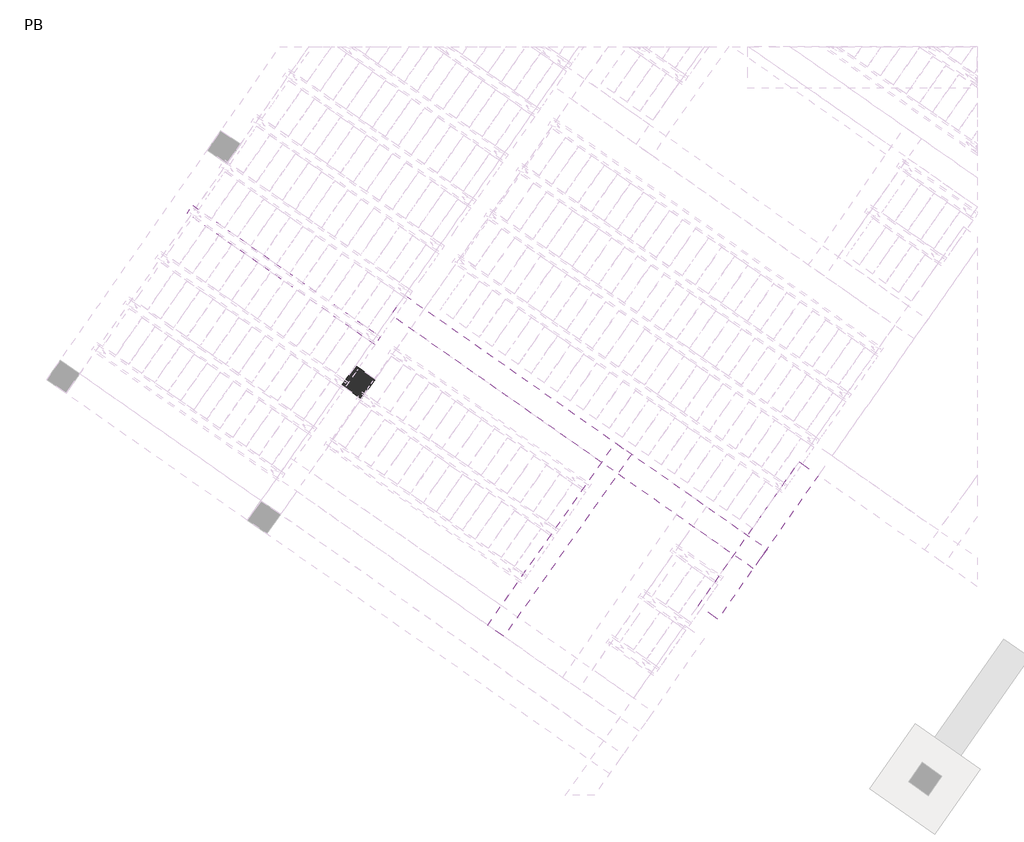
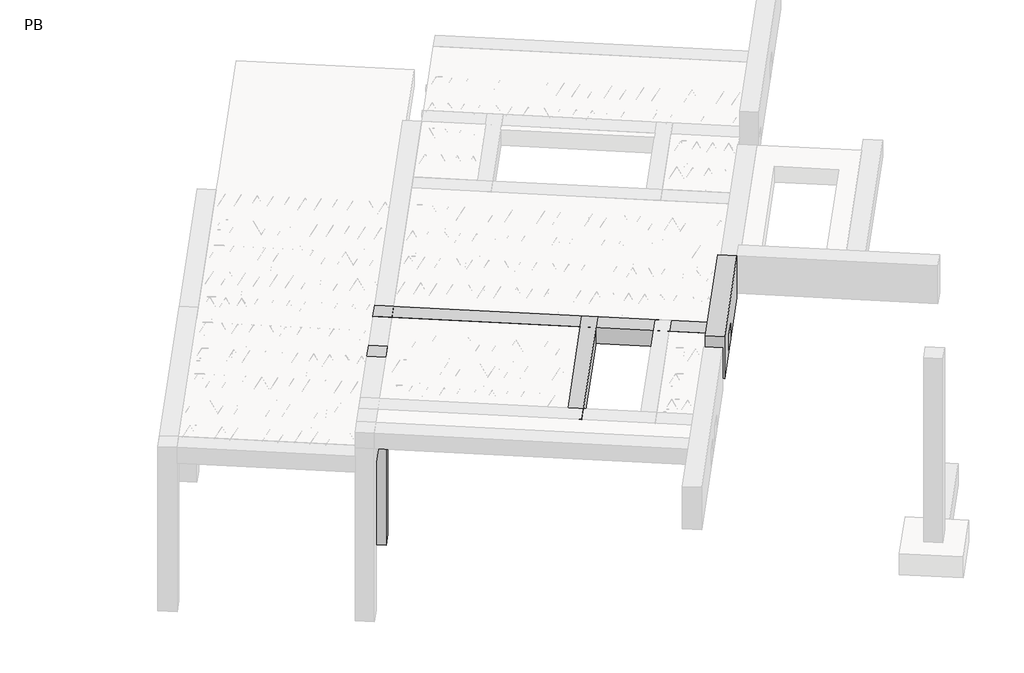
# One storey, part 18 of 56: 5 beams, 1 column.
"""IFC4 building model written with IfcOpenShell, lengths in millimetres."""

import ifcopenshell
import ifcopenshell.guid

model = None  # the IFC model being written
_history = None  # IfcOwnerHistory: only IFC2X3 demands one
_inside = {}  # id of a spatial element -> (the spatial element, [elements in it])
_under = {}  # id of a project, library or spatial element -> (it, [spatial elements below it])
_declared = {}  # id of a project -> (the project, [libraries it declares])
_typed = {}  # id of a type object -> (the type object, [elements of that type])
_made_of = {}  # id of a material, layer set ... -> (it, [elements and type objects made of it])


def new_model(schema):
    """Start an empty IFC model of exactly this schema.

    Asked for "IFC4X3", IfcOpenShell would pick the latest addendum, in which some entities
    have other attributes; the version numbers below select the first issue.
    IFC2X3 requires an IfcOwnerHistory on every rooted entity: one is made here for all.
    """
    global model, _history
    if schema == "IFC4X3":
        model = ifcopenshell.file(schema_version=(4, 3, 0, 0))
    else:
        model = ifcopenshell.file(schema=schema)
    _inside.clear()
    _under.clear()
    _declared.clear()
    _typed.clear()
    _made_of.clear()
    _history = None
    if model.schema == "IFC2X3":
        org = make("IfcOrganization", Name="unknown")
        user = make(
            "IfcPersonAndOrganization",
            ThePerson=make("IfcPerson", FamilyName="unknown"),
            TheOrganization=org,
        )
        app = make(
            "IfcApplication",
            ApplicationDeveloper=org,
            Version="unknown",
            ApplicationFullName="unknown",
            ApplicationIdentifier="unknown",
        )
        _history = make(
            "IfcOwnerHistory",
            OwningUser=user,
            OwningApplication=app,
            ChangeAction="ADDED",
            CreationDate=0,
        )
    return model


def make(cls, **values):
    """One entity of the class cls with the attributes given. An attribute that is None is left unset."""
    return model.create_entity(
        cls, **{name: value for name, value in values.items() if value is not None}
    )


def rooted(cls, **values):
    """An entity with a GlobalId (a new one), such as an element, a storey or a relation."""
    return make(cls, GlobalId=ifcopenshell.guid.new(), OwnerHistory=_history, **values)


def si_unit(unit_type, name, prefix=None):
    """IfcSIUnit, for example si_unit("LENGTHUNIT", "METRE", prefix="MILLI")."""
    return make("IfcSIUnit", UnitType=unit_type, Prefix=prefix, Name=name)


def assignment(units):
    """IfcUnitAssignment: the units of a project."""
    return None if units is None else make("IfcUnitAssignment", Units=units)


def point(xyz):
    """IfcCartesianPoint."""
    return None if xyz is None else make("IfcCartesianPoint", Coordinates=xyz)


def direction(xyz):
    """IfcDirection."""
    return None if xyz is None else make("IfcDirection", DirectionRatios=xyz)


def frame(location, z_axis=None, x_axis=None):
    """IfcAxis2Placement3D, a coordinate frame: its origin and axes. An axis left out is left unset."""
    return make(
        "IfcAxis2Placement3D",
        Location=point(location),
        Axis=direction(z_axis),
        RefDirection=direction(x_axis),
    )


def frame_2d(location, x_axis=None):
    """IfcAxis2Placement2D, a coordinate frame in the plane: its origin and x axis."""
    return make(
        "IfcAxis2Placement2D", Location=point(location), RefDirection=direction(x_axis)
    )


def origin():
    """The frame at (0, 0, 0) with its axes left unset."""
    return frame((0.0, 0.0, 0.0))


def origin_2d():
    """The frame at (0, 0) in the plane with its x axis left unset."""
    return frame_2d((0.0, 0.0))


def place(relative_to, where):
    """IfcLocalPlacement: puts the frame where relative to a parent placement (None: the world)."""
    return make(
        "IfcLocalPlacement", PlacementRelTo=relative_to, RelativePlacement=where
    )


def context(
    kind, dimensions, precision=None, world=None, true_north=None, identifier=None
):
    """IfcGeometricRepresentationContext, for example the 3D "Model" context."""
    return make(
        "IfcGeometricRepresentationContext",
        ContextIdentifier=identifier,
        ContextType=kind,
        CoordinateSpaceDimension=dimensions,
        Precision=precision,
        WorldCoordinateSystem=world,
        TrueNorth=true_north,
    )


def project(units=None, contexts=None):
    """IfcProject with its units and contexts."""
    return rooted(
        "IfcProject",
        Name="project",
        RepresentationContexts=contexts,
        UnitsInContext=assignment(units),
    )


def spatial(cls, under=None, at=None, **own):
    """A site, building, storey or space (cls), placed at a placement, below another one or the project."""
    s = rooted(cls, ObjectPlacement=at, **own)
    if under is not None:
        _under.setdefault(under.id(), (under, []))[1].append(s)
    return s


def polyline(points):
    """IfcPolyline through the points."""
    return make("IfcPolyline", Points=[point(p) for p in points])


def circle_curve(where, radius):
    """IfcCircle in the frame where."""
    return make("IfcCircle", Position=where, Radius=radius)


def trimmed(basis, trim1, trim2, sense, master):
    """IfcTrimmedCurve: the piece of a basis curve between two trims."""
    return make(
        "IfcTrimmedCurve",
        BasisCurve=basis,
        Trim1=trim1,
        Trim2=trim2,
        SenseAgreement=sense,
        MasterRepresentation=master,
    )


def segment(curve, same_sense, transition):
    """IfcCompositeCurveSegment."""
    return make(
        "IfcCompositeCurveSegment",
        Transition=transition,
        SameSense=same_sense,
        ParentCurve=curve,
    )


def composite_curve(segments, self_intersect=None):
    """IfcCompositeCurve: segments joined end to end."""
    return make("IfcCompositeCurve", Segments=segments, SelfIntersect=self_intersect)


def outline(outer, holes=None, kind="AREA"):
    """IfcArbitraryClosedProfileDef: a profile drawn as a closed curve; with holes, ...WithVoids."""
    if holes is None:
        return make("IfcArbitraryClosedProfileDef", ProfileType=kind, OuterCurve=outer)
    return make(
        "IfcArbitraryProfileDefWithVoids",
        ProfileType=kind,
        OuterCurve=outer,
        InnerCurves=holes,
    )


def extrude(swept, where, along, depth):
    """IfcExtrudedAreaSolid: the profile swept, set in the frame where, extruded along a direction by depth."""
    return make(
        "IfcExtrudedAreaSolid",
        SweptArea=swept,
        Position=where,
        ExtrudedDirection=direction(along),
        Depth=depth,
    )


def shape(context_of_items, identifier, shape_type, items):
    """IfcShapeRepresentation: the items that make up one representation, for example the "Body"."""
    return make(
        "IfcShapeRepresentation",
        ContextOfItems=context_of_items,
        RepresentationIdentifier=identifier,
        RepresentationType=shape_type,
        Items=items,
    )


def made_of(thing, what):
    """Note that an element or type object is made of a material, layer set ...; save() writes the relation."""
    if what is not None:
        _made_of.setdefault(what.id(), (what, []))[1].append(thing)
    return thing


def element(
    cls,
    number,
    at=None,
    inside=None,
    cuts=None,
    type_object=None,
    material=None,
    context=None,
    identifier="Body",
    shape_type=None,
    held_by="IfcProductDefinitionShape",
    body=None,
    shapes=None,
    **own,
):
    """One element of the class cls, such as IfcWall. Its Tag is "e" and its number.

    at: its placement. inside: the storey or other place that contains it. cuts: it is an
    opening in that element (IfcRelVoidsElement). A single representation is given by context,
    identifier, shape_type and body (its items); several are given by shapes. held_by: the class
    of the entity that holds the representations. save() writes the other relations.
    """
    e = rooted(cls, Tag="e%d" % number, ObjectPlacement=at, **own)
    if body is not None:
        shapes = [shape(context, identifier, shape_type, body)]
    if shapes is not None:
        e.Representation = make(held_by, Representations=shapes)
    if inside is not None:
        _inside.setdefault(inside.id(), (inside, []))[1].append(e)
    if cuts is not None:
        rooted(
            "IfcRelVoidsElement", RelatingBuildingElement=cuts, RelatedOpeningElement=e
        )
    if type_object is not None:
        _typed.setdefault(type_object.id(), (type_object, []))[1].append(e)
    return made_of(e, material)


def aggregate(whole, parts):
    """IfcRelAggregates: a whole, such as a stair, and the parts it consists of."""
    return rooted("IfcRelAggregates", RelatingObject=whole, RelatedObjects=parts)


def save(model, path):
    """Write the relations noted so far, then the file.

    IfcRelAggregates (storeys below a building ...), IfcRelContainedInSpatialStructure (elements
    in a storey), IfcRelDefinesByType, IfcRelAssociatesMaterial and IfcRelDeclares: one each for
    every whole, place, type object, material and project.
    """
    for whole, parts in _under.values():
        aggregate(whole, parts)
    for where, things in _inside.values():
        rooted(
            "IfcRelContainedInSpatialStructure",
            RelatedElements=things,
            RelatingStructure=where,
        )
    for kind, things in _typed.values():
        rooted("IfcRelDefinesByType", RelatedObjects=things, RelatingType=kind)
    for what, things in _made_of.values():
        rooted("IfcRelAssociatesMaterial", RelatedObjects=things, RelatingMaterial=what)
    for by, libraries in _declared.values():
        rooted("IfcRelDeclares", RelatingContext=by, RelatedDefinitions=libraries)
    model.write(path)


model = new_model("IFC4")

# Units and contexts
model_context = context("Model", 3, world=origin())
ifc_project = project(units=[si_unit("LENGTHUNIT", "METRE", prefix="MILLI")], contexts=[model_context])

# Site, building, storey
site = spatial("IfcSite", under=ifc_project)
building = spatial("IfcBuilding", under=site)
storey = spatial("IfcBuildingStorey", under=building, Name="PB", Elevation=95940.0)

# Beams
placement = place(None, origin())
element("IfcBeam", 1, at=placement, inside=storey, context=model_context, shape_type="SweptSolid", body=[
    extrude(outline(polyline([(-10.0803251, 4389.9835986), (58.7488472, 4488.2818439), (2421.7350828, 2833.7010689), (2352.9059104, 2735.4028236), (-10.0803251, 4389.9835986)])), frame((0.0, 0.0, 98760.0), z_axis=(0.0, 0.0, 1.0), x_axis=(1.0, 0.0, 0.0)), (0.0, 0.0, 1.0), 50.0),
    extrude(outline(composite_curve([segment(trimmed(circle_curve(origin_2d(), 2.5), [point((-2.5, 0.0))], [point((2.5, 0.0))], False, "CARTESIAN"), True, "CONTINUOUS"), segment(trimmed(circle_curve(origin_2d(), 2.5), [point((2.5, 0.0))], [point((-2.5, 0.0))], False, "CARTESIAN"), True, "CONTINUOUS")], self_intersect=False)), frame((2347.0120958, 2768.8283072, 98785.0), z_axis=(-0.8191520442696126, 0.5735764363787226, 0.0), x_axis=(0.5735764363787226, 0.8191520442696126, 0.0)), (0.0, 0.0, 1.0), 2836.67355),
    extrude(outline(composite_curve([segment(trimmed(circle_curve(origin_2d(), 2.5), [point((-2.5, 0.0))], [point((2.5, 0.0))], False, "CARTESIAN"), True, "CONTINUOUS"), segment(trimmed(circle_curve(origin_2d(), 2.5), [point((2.5, 0.0))], [point((-2.5, 0.0))], False, "CARTESIAN"), True, "CONTINUOUS")], self_intersect=False)), frame((2270.7250362, 2866.1929666, 99010.0), z_axis=(-0.8191520442696126, 0.5735764363787226, 0.0), x_axis=(0.5735764363787226, 0.8191520442696126, 0.0)), (0.0, 0.0, 1.0), 2600.0),
    extrude(outline(composite_curve([segment(trimmed(circle_curve(origin_2d(), 2.5), [point((-2.5, 0.0))], [point((2.5, 1e-07))], False, "CARTESIAN"), True, "CONTINUOUS"), segment(trimmed(circle_curve(origin_2d(), 2.5), [point((2.5, 1e-07))], [point((-2.5, 0.0))], False, "CARTESIAN"), True, "CONTINUOUS")], self_intersect=False)), frame((2311.5126878, 2793.6852602, 98785.0), z_axis=(-0.3145304735701046, 0.38933448886848654, 0.8657304643902053), x_axis=(0.7778747638402499, 0.6284193279813057, 0.0)), (0.0, 0.0, 1.0), 259.8961331),
    extrude(outline(composite_curve([segment(trimmed(circle_curve(origin_2d(), 2.5), [point((2.5, 0.0))], [point((-2.5000001, 0.0))], False, "CARTESIAN"), True, "CONTINUOUS"), segment(trimmed(circle_curve(origin_2d(), 2.5), [point((-2.5000001, 0.0))], [point((2.5, 0.0))], False, "CARTESIAN"), True, "CONTINUOUS")], self_intersect=False)), frame((2106.7246767, 2937.0793693, 98785.0), z_axis=(0.47343050384693375, -0.16240172737369005, 0.8657304643902051), x_axis=(-0.3244721671091268, -0.9458952440791246, 0.0)), (0.0, 0.0, 1.0), 259.8961331),
    extrude(outline(composite_curve([segment(trimmed(circle_curve(origin_2d(), 2.5), [point((-2.5, 0.0))], [point((2.5000001, 0.0))], False, "CARTESIAN"), True, "CONTINUOUS"), segment(trimmed(circle_curve(origin_2d(), 2.5), [point((2.5000001, 0.0))], [point((-2.5, 0.0))], False, "CARTESIAN"), True, "CONTINUOUS")], self_intersect=False)), frame((2106.7246767, 2937.0793693, 98785.0), z_axis=(-0.3145304735701046, 0.38933448886848654, 0.8657304643902053), x_axis=(0.7778747638402499, 0.6284193279813057, 0.0)), (0.0, 0.0, 1.0), 259.8961331),
    extrude(outline(composite_curve([segment(trimmed(circle_curve(origin_2d(), 2.5), [point((2.5, 0.0))], [point((-2.5000001, 0.0))], False, "CARTESIAN"), True, "CONTINUOUS"), segment(trimmed(circle_curve(origin_2d(), 2.5), [point((-2.5000001, 0.0))], [point((2.5, 0.0))], False, "CARTESIAN"), True, "CONTINUOUS")], self_intersect=False)), frame((1901.9366657, 3080.4734784, 98785.0), z_axis=(0.47343050384693375, -0.16240172737369005, 0.8657304643902051), x_axis=(-0.3244721671091268, -0.9458952440791246, 0.0)), (0.0, 0.0, 1.0), 259.8961331),
    extrude(outline(composite_curve([segment(trimmed(circle_curve(origin_2d(), 2.5), [point((-2.5, 0.0))], [point((2.5, 1e-07))], False, "CARTESIAN"), True, "CONTINUOUS"), segment(trimmed(circle_curve(origin_2d(), 2.5), [point((2.5, 1e-07))], [point((-2.5, 0.0))], False, "CARTESIAN"), True, "CONTINUOUS")], self_intersect=False)), frame((1901.9366657, 3080.4734784, 98785.0), z_axis=(-0.3145304735701046, 0.38933448886848654, 0.8657304643902053), x_axis=(0.7778747638402499, 0.6284193279813057, 0.0)), (0.0, 0.0, 1.0), 259.8961331),
    extrude(outline(composite_curve([segment(trimmed(circle_curve(origin_2d(), 2.5), [point((2.5, 0.0))], [point((-2.5, 0.0))], False, "CARTESIAN"), True, "CONTINUOUS"), segment(trimmed(circle_curve(origin_2d(), 2.5), [point((-2.5, 0.0))], [point((2.5, 0.0))], False, "CARTESIAN"), True, "CONTINUOUS")], self_intersect=False)), frame((1697.1486546, 3223.8675875, 98785.0), z_axis=(0.47343050384693375, -0.16240172737369005, 0.8657304643902051), x_axis=(-0.3244721671091268, -0.9458952440791246, 0.0)), (0.0, 0.0, 1.0), 259.8961331),
    extrude(outline(composite_curve([segment(trimmed(circle_curve(origin_2d(), 2.5), [point((-2.5, 0.0))], [point((2.5, 1e-07))], False, "CARTESIAN"), True, "CONTINUOUS"), segment(trimmed(circle_curve(origin_2d(), 2.5), [point((2.5, 1e-07))], [point((-2.5, 0.0))], False, "CARTESIAN"), True, "CONTINUOUS")], self_intersect=False)), frame((1697.1486546, 3223.8675875, 98785.0), z_axis=(-0.3145304735701046, 0.38933448886848654, 0.8657304643902053), x_axis=(0.7778747638402499, 0.6284193279813057, 0.0)), (0.0, 0.0, 1.0), 259.8961331),
    extrude(outline(composite_curve([segment(trimmed(circle_curve(origin_2d(), 2.5), [point((2.5, 0.0))], [point((-2.5, 1e-07))], False, "CARTESIAN"), True, "CONTINUOUS"), segment(trimmed(circle_curve(origin_2d(), 2.5), [point((-2.5, 1e-07))], [point((2.5, 0.0))], False, "CARTESIAN"), True, "CONTINUOUS")], self_intersect=False)), frame((1492.3606435, 3367.2616966, 98785.0), z_axis=(0.47343050384693375, -0.16240172737369005, 0.8657304643902051), x_axis=(-0.3244721671091268, -0.9458952440791246, 0.0)), (0.0, 0.0, 1.0), 259.8961331),
    extrude(outline(composite_curve([segment(trimmed(circle_curve(origin_2d(), 2.5), [point((-2.5, 0.0))], [point((2.5, 0.0))], False, "CARTESIAN"), True, "CONTINUOUS"), segment(trimmed(circle_curve(origin_2d(), 2.5), [point((2.5, 0.0))], [point((-2.5, 0.0))], False, "CARTESIAN"), True, "CONTINUOUS")], self_intersect=False)), frame((1492.3606437, 3367.2616965, 98785.0), z_axis=(-0.3145304735701046, 0.38933448886848654, 0.8657304643902053), x_axis=(0.7778747638402499, 0.6284193279813057, 0.0)), (0.0, 0.0, 1.0), 259.8961331),
    extrude(outline(composite_curve([segment(trimmed(circle_curve(origin_2d(), 2.5), [point((2.5, 0.0))], [point((-2.5, 1e-07))], False, "CARTESIAN"), True, "CONTINUOUS"), segment(trimmed(circle_curve(origin_2d(), 2.5), [point((-2.5, 1e-07))], [point((2.5, 0.0))], False, "CARTESIAN"), True, "CONTINUOUS")], self_intersect=False)), frame((1287.5726326, 3510.6558056, 98785.0), z_axis=(0.47343050384693375, -0.16240172737369005, 0.8657304643902051), x_axis=(-0.3244721671091268, -0.9458952440791246, 0.0)), (0.0, 0.0, 1.0), 259.8961331),
    extrude(outline(composite_curve([segment(trimmed(circle_curve(origin_2d(), 2.5), [point((-2.5, 0.0))], [point((2.5, 0.0))], False, "CARTESIAN"), True, "CONTINUOUS"), segment(trimmed(circle_curve(origin_2d(), 2.5), [point((2.5, 0.0))], [point((-2.5, 0.0))], False, "CARTESIAN"), True, "CONTINUOUS")], self_intersect=False)), frame((1287.5726326, 3510.6558056, 98785.0), z_axis=(-0.3145304735701046, 0.38933448886848654, 0.8657304643902053), x_axis=(0.7778747638402499, 0.6284193279813057, 0.0)), (0.0, 0.0, 1.0), 259.8961331),
    extrude(outline(composite_curve([segment(trimmed(circle_curve(origin_2d(), 2.5), [point((2.5, 0.0))], [point((-2.5, 0.0))], False, "CARTESIAN"), True, "CONTINUOUS"), segment(trimmed(circle_curve(origin_2d(), 2.5), [point((-2.5, 0.0))], [point((2.5, 0.0))], False, "CARTESIAN"), True, "CONTINUOUS")], self_intersect=False)), frame((1082.7846216, 3654.0499147, 98785.0), z_axis=(0.47343050384693375, -0.16240172737369005, 0.8657304643902051), x_axis=(-0.3244721671091268, -0.9458952440791246, 0.0)), (0.0, 0.0, 1.0), 259.8961331),
    extrude(outline(composite_curve([segment(trimmed(circle_curve(origin_2d(), 2.5), [point((-2.5, 0.0))], [point((2.5, 0.0))], False, "CARTESIAN"), True, "CONTINUOUS"), segment(trimmed(circle_curve(origin_2d(), 2.5), [point((2.5, 0.0))], [point((-2.5, 0.0))], False, "CARTESIAN"), True, "CONTINUOUS")], self_intersect=False)), frame((1082.7846216, 3654.0499147, 98785.0), z_axis=(-0.3145304735701046, 0.38933448886848654, 0.8657304643902053), x_axis=(0.7778747638402499, 0.6284193279813057, 0.0)), (0.0, 0.0, 1.0), 259.8961331),
    extrude(outline(composite_curve([segment(trimmed(circle_curve(origin_2d(), 2.5), [point((2.5, 0.0))], [point((-2.5, 0.0))], False, "CARTESIAN"), True, "CONTINUOUS"), segment(trimmed(circle_curve(origin_2d(), 2.5), [point((-2.5, 0.0))], [point((2.5, 0.0))], False, "CARTESIAN"), True, "CONTINUOUS")], self_intersect=False)), frame((877.9966105, 3797.4440238, 98785.0), z_axis=(0.47343050384693375, -0.16240172737369005, 0.8657304643902051), x_axis=(-0.3244721671091268, -0.9458952440791246, 0.0)), (0.0, 0.0, 1.0), 259.8961331),
    extrude(outline(composite_curve([segment(trimmed(circle_curve(origin_2d(), 2.5), [point((-2.5, 0.0))], [point((2.5, 0.0))], False, "CARTESIAN"), True, "CONTINUOUS"), segment(trimmed(circle_curve(origin_2d(), 2.5), [point((2.5, 0.0))], [point((-2.5, 0.0))], False, "CARTESIAN"), True, "CONTINUOUS")], self_intersect=False)), frame((877.9966105, 3797.4440238, 98785.0), z_axis=(-0.3145304735701046, 0.38933448886848654, 0.8657304643902053), x_axis=(0.7778747638402499, 0.6284193279813057, 0.0)), (0.0, 0.0, 1.0), 259.8961331),
    extrude(outline(composite_curve([segment(trimmed(circle_curve(origin_2d(), 2.5), [point((2.5, 0.0))], [point((-2.5, 1e-07))], False, "CARTESIAN"), True, "CONTINUOUS"), segment(trimmed(circle_curve(origin_2d(), 2.5), [point((-2.5, 1e-07))], [point((2.5, 0.0))], False, "CARTESIAN"), True, "CONTINUOUS")], self_intersect=False)), frame((673.2085994, 3940.8381329, 98785.0), z_axis=(0.47343050384693375, -0.16240172737369005, 0.8657304643902051), x_axis=(-0.3244721671091268, -0.9458952440791246, 0.0)), (0.0, 0.0, 1.0), 259.8961331),
    extrude(outline(composite_curve([segment(trimmed(circle_curve(origin_2d(), 2.5), [point((-2.5, 0.0))], [point((2.5, 0.0))], False, "CARTESIAN"), True, "CONTINUOUS"), segment(trimmed(circle_curve(origin_2d(), 2.5), [point((2.5, 0.0))], [point((-2.5, 0.0))], False, "CARTESIAN"), True, "CONTINUOUS")], self_intersect=False)), frame((673.2085994, 3940.8381329, 98785.0), z_axis=(-0.3145304735701046, 0.38933448886848654, 0.8657304643902053), x_axis=(0.7778747638402499, 0.6284193279813057, 0.0)), (0.0, 0.0, 1.0), 259.8961331),
    extrude(outline(composite_curve([segment(trimmed(circle_curve(origin_2d(), 2.5), [point((2.5, 0.0))], [point((-2.5, 0.0))], False, "CARTESIAN"), True, "CONTINUOUS"), segment(trimmed(circle_curve(origin_2d(), 2.5), [point((-2.5, 0.0))], [point((2.5, 0.0))], False, "CARTESIAN"), True, "CONTINUOUS")], self_intersect=False)), frame((468.4205884, 4084.232242, 98785.0), z_axis=(0.47343050384693375, -0.16240172737369005, 0.8657304643902051), x_axis=(-0.3244721671091268, -0.9458952440791246, 0.0)), (0.0, 0.0, 1.0), 259.8961331),
    extrude(outline(composite_curve([segment(trimmed(circle_curve(origin_2d(), 2.5), [point((-2.5, 0.0))], [point((2.5, 0.0))], False, "CARTESIAN"), True, "CONTINUOUS"), segment(trimmed(circle_curve(origin_2d(), 2.5), [point((2.5, 0.0))], [point((-2.5, 0.0))], False, "CARTESIAN"), True, "CONTINUOUS")], self_intersect=False)), frame((468.4205884, 4084.232242, 98785.0), z_axis=(-0.3145304735701046, 0.38933448886848654, 0.8657304643902053), x_axis=(0.7778747638402499, 0.6284193279813057, 0.0)), (0.0, 0.0, 1.0), 259.8961331),
    extrude(outline(composite_curve([segment(trimmed(circle_curve(origin_2d(), 2.5), [point((2.5, 0.0))], [point((-2.5, 0.0))], False, "CARTESIAN"), True, "CONTINUOUS"), segment(trimmed(circle_curve(origin_2d(), 2.5), [point((-2.5, 0.0))], [point((2.5, 0.0))], False, "CARTESIAN"), True, "CONTINUOUS")], self_intersect=False)), frame((263.6325773, 4227.6263511, 98785.0), z_axis=(0.47343050384693375, -0.16240172737369005, 0.8657304643902051), x_axis=(-0.3244721671091268, -0.9458952440791246, 0.0)), (0.0, 0.0, 1.0), 259.8961331),
    extrude(outline(composite_curve([segment(trimmed(circle_curve(origin_2d(), 2.5), [point((-2.5, 0.0))], [point((2.5, 0.0))], False, "CARTESIAN"), True, "CONTINUOUS"), segment(trimmed(circle_curve(origin_2d(), 2.5), [point((2.5, 0.0))], [point((-2.5, 0.0))], False, "CARTESIAN"), True, "CONTINUOUS")], self_intersect=False)), frame((263.6325773, 4227.6263511, 98785.0), z_axis=(-0.3145304735701046, 0.38933448886848654, 0.8657304643902053), x_axis=(0.7778747638402499, 0.6284193279813057, 0.0)), (0.0, 0.0, 1.0), 259.8961331),
    extrude(outline(composite_curve([segment(trimmed(circle_curve(origin_2d(), 2.5), [point((2.5, 0.0))], [point((-2.5, 1e-07))], False, "CARTESIAN"), True, "CONTINUOUS"), segment(trimmed(circle_curve(origin_2d(), 2.5), [point((-2.5, 1e-07))], [point((2.5, 0.0))], False, "CARTESIAN"), True, "CONTINUOUS")], self_intersect=False)), frame((58.8445662, 4371.0204602, 98785.0), z_axis=(0.47343050384693375, -0.16240172737369005, 0.8657304643902051), x_axis=(-0.3244721671091268, -0.9458952440791246, 0.0)), (0.0, 0.0, 1.0), 259.8961331),
    extrude(outline(composite_curve([segment(trimmed(circle_curve(origin_2d(), 2.5), [point((-2.5000001, 0.0))], [point((2.5, 0.0))], False, "CARTESIAN"), True, "CONTINUOUS"), segment(trimmed(circle_curve(origin_2d(), 2.5), [point((2.5, 0.0))], [point((-2.5000001, 0.0))], False, "CARTESIAN"), True, "CONTINUOUS")], self_intersect=False)), frame((2388.3095992, 2827.8072544, 98785.0), z_axis=(-0.8191520442696126, 0.5735764363787226, 0.0), x_axis=(0.5735764363787226, 0.8191520442696126, 0.0)), (0.0, 0.0, 1.0), 2836.67355),
    extrude(outline(composite_curve([segment(trimmed(circle_curve(origin_2d(), 2.5), [point((-2.5, 0.0))], [point((2.5, -1e-07))], False, "CARTESIAN"), True, "CONTINUOUS"), segment(trimmed(circle_curve(origin_2d(), 2.5), [point((2.5, -1e-07))], [point((-2.5, 0.0))], False, "CARTESIAN"), True, "CONTINUOUS")], self_intersect=False)), frame((2352.8101912, 2852.6642074, 98785.0), z_axis=(-0.47343050384693375, 0.16240172737369005, 0.8657304643902051), x_axis=(0.3244721671091268, 0.9458952440791246, 0.0)), (0.0, 0.0, 1.0), 259.8961331),
    extrude(outline(composite_curve([segment(trimmed(circle_curve(origin_2d(), 2.5), [point((2.5, 0.0))], [point((-2.5, -1e-07))], False, "CARTESIAN"), True, "CONTINUOUS"), segment(trimmed(circle_curve(origin_2d(), 2.5), [point((-2.5, -1e-07))], [point((2.5, 0.0))], False, "CARTESIAN"), True, "CONTINUOUS")], self_intersect=False)), frame((2148.0221802, 2996.0583165, 98785.0), z_axis=(0.3145304735701046, -0.38933448886848654, 0.8657304643902053), x_axis=(-0.7778747638402499, -0.6284193279813057, 0.0)), (0.0, 0.0, 1.0), 259.8961331),
    extrude(outline(composite_curve([segment(trimmed(circle_curve(origin_2d(), 2.5), [point((-2.5, 1e-07))], [point((2.5, 0.0))], False, "CARTESIAN"), True, "CONTINUOUS"), segment(trimmed(circle_curve(origin_2d(), 2.5), [point((2.5, 0.0))], [point((-2.5, 1e-07))], False, "CARTESIAN"), True, "CONTINUOUS")], self_intersect=False)), frame((2148.0221802, 2996.0583165, 98785.0), z_axis=(-0.47343050384693375, 0.16240172737369005, 0.8657304643902051), x_axis=(0.3244721671091268, 0.9458952440791246, 0.0)), (0.0, 0.0, 1.0), 259.8961331),
    extrude(outline(composite_curve([segment(trimmed(circle_curve(origin_2d(), 2.5), [point((2.5, 0.0))], [point((-2.5, 0.0))], False, "CARTESIAN"), True, "CONTINUOUS"), segment(trimmed(circle_curve(origin_2d(), 2.5), [point((-2.5, 0.0))], [point((2.5, 0.0))], False, "CARTESIAN"), True, "CONTINUOUS")], self_intersect=False)), frame((1943.2341691, 3139.4524256, 98785.0), z_axis=(0.3145304735701046, -0.38933448886848654, 0.8657304643902053), x_axis=(-0.7778747638402499, -0.6284193279813057, 0.0)), (0.0, 0.0, 1.0), 259.8961331),
    extrude(outline(composite_curve([segment(trimmed(circle_curve(origin_2d(), 2.5), [point((-2.5, 0.0))], [point((2.5, 0.0))], False, "CARTESIAN"), True, "CONTINUOUS"), segment(trimmed(circle_curve(origin_2d(), 2.5), [point((2.5, 0.0))], [point((-2.5, 0.0))], False, "CARTESIAN"), True, "CONTINUOUS")], self_intersect=False)), frame((1943.2341691, 3139.4524256, 98785.0), z_axis=(-0.47343050384693375, 0.16240172737369005, 0.8657304643902051), x_axis=(0.3244721671091268, 0.9458952440791246, 0.0)), (0.0, 0.0, 1.0), 259.8961331),
    extrude(outline(composite_curve([segment(trimmed(circle_curve(origin_2d(), 2.5), [point((2.5, 0.0))], [point((-2.5, 0.0))], False, "CARTESIAN"), True, "CONTINUOUS"), segment(trimmed(circle_curve(origin_2d(), 2.5), [point((-2.5, 0.0))], [point((2.5, 0.0))], False, "CARTESIAN"), True, "CONTINUOUS")], self_intersect=False)), frame((1738.446158, 3282.8465347, 98785.0), z_axis=(0.3145304735701046, -0.38933448886848654, 0.8657304643902053), x_axis=(-0.7778747638402499, -0.6284193279813057, 0.0)), (0.0, 0.0, 1.0), 259.8961331),
    extrude(outline(composite_curve([segment(trimmed(circle_curve(origin_2d(), 2.5), [point((-2.5, 0.0))], [point((2.5, 0.0))], False, "CARTESIAN"), True, "CONTINUOUS"), segment(trimmed(circle_curve(origin_2d(), 2.5), [point((2.5, 0.0))], [point((-2.5, 0.0))], False, "CARTESIAN"), True, "CONTINUOUS")], self_intersect=False)), frame((1738.446158, 3282.8465347, 98785.0), z_axis=(-0.47343050384693375, 0.16240172737369005, 0.8657304643902051), x_axis=(0.3244721671091268, 0.9458952440791246, 0.0)), (0.0, 0.0, 1.0), 259.8961331),
    extrude(outline(composite_curve([segment(trimmed(circle_curve(origin_2d(), 2.5), [point((2.5, 0.0))], [point((-2.5, 0.0))], False, "CARTESIAN"), True, "CONTINUOUS"), segment(trimmed(circle_curve(origin_2d(), 2.5), [point((-2.5, 0.0))], [point((2.5, 0.0))], False, "CARTESIAN"), True, "CONTINUOUS")], self_intersect=False)), frame((1533.658147, 3426.2406438, 98785.0), z_axis=(0.3145304735701046, -0.38933448886848654, 0.8657304643902053), x_axis=(-0.7778747638402499, -0.6284193279813057, 0.0)), (0.0, 0.0, 1.0), 259.8961331),
    extrude(outline(composite_curve([segment(trimmed(circle_curve(origin_2d(), 2.5), [point((-2.5, 0.0))], [point((2.5, 0.0))], False, "CARTESIAN"), True, "CONTINUOUS"), segment(trimmed(circle_curve(origin_2d(), 2.5), [point((2.5, 0.0))], [point((-2.5, 0.0))], False, "CARTESIAN"), True, "CONTINUOUS")], self_intersect=False)), frame((1533.6581471, 3426.2406437, 98785.0), z_axis=(-0.47343050384693375, 0.16240172737369005, 0.8657304643902051), x_axis=(0.3244721671091268, 0.9458952440791246, 0.0)), (0.0, 0.0, 1.0), 259.8961331),
    extrude(outline(composite_curve([segment(trimmed(circle_curve(origin_2d(), 2.5), [point((2.5000001, -1e-07))], [point((-2.5, 0.0))], False, "CARTESIAN"), True, "CONTINUOUS"), segment(trimmed(circle_curve(origin_2d(), 2.5), [point((-2.5, 0.0))], [point((2.5000001, -1e-07))], False, "CARTESIAN"), True, "CONTINUOUS")], self_intersect=False)), frame((1328.8701361, 3569.6347528, 98785.0), z_axis=(0.3145304735701046, -0.38933448886848654, 0.8657304643902053), x_axis=(-0.7778747638402499, -0.6284193279813057, 0.0)), (0.0, 0.0, 1.0), 259.8961331),
    extrude(outline(composite_curve([segment(trimmed(circle_curve(origin_2d(), 2.5), [point((-2.5, 1e-07))], [point((2.5, 0.0))], False, "CARTESIAN"), True, "CONTINUOUS"), segment(trimmed(circle_curve(origin_2d(), 2.5), [point((2.5, 0.0))], [point((-2.5, 1e-07))], False, "CARTESIAN"), True, "CONTINUOUS")], self_intersect=False)), frame((1328.8701361, 3569.6347528, 98785.0), z_axis=(-0.47343050384693375, 0.16240172737369005, 0.8657304643902051), x_axis=(0.3244721671091268, 0.9458952440791246, 0.0)), (0.0, 0.0, 1.0), 259.8961331),
    extrude(outline(composite_curve([segment(trimmed(circle_curve(origin_2d(), 2.5), [point((2.5, 0.0))], [point((-2.5, 0.0))], False, "CARTESIAN"), True, "CONTINUOUS"), segment(trimmed(circle_curve(origin_2d(), 2.5), [point((-2.5, 0.0))], [point((2.5, 0.0))], False, "CARTESIAN"), True, "CONTINUOUS")], self_intersect=False)), frame((1124.082125, 3713.0288619, 98785.0), z_axis=(0.3145304735701046, -0.38933448886848654, 0.8657304643902053), x_axis=(-0.7778747638402499, -0.6284193279813057, 0.0)), (0.0, 0.0, 1.0), 259.8961331),
    extrude(outline(composite_curve([segment(trimmed(circle_curve(origin_2d(), 2.5), [point((-2.5, 0.0))], [point((2.5, 0.0))], False, "CARTESIAN"), True, "CONTINUOUS"), segment(trimmed(circle_curve(origin_2d(), 2.5), [point((2.5, 0.0))], [point((-2.5, 0.0))], False, "CARTESIAN"), True, "CONTINUOUS")], self_intersect=False)), frame((1124.082125, 3713.0288619, 98785.0), z_axis=(-0.47343050384693375, 0.16240172737369005, 0.8657304643902051), x_axis=(0.3244721671091268, 0.9458952440791246, 0.0)), (0.0, 0.0, 1.0), 259.8961331),
    extrude(outline(composite_curve([segment(trimmed(circle_curve(origin_2d(), 2.5), [point((2.5, 0.0))], [point((-2.5, 0.0))], False, "CARTESIAN"), True, "CONTINUOUS"), segment(trimmed(circle_curve(origin_2d(), 2.5), [point((-2.5, 0.0))], [point((2.5, 0.0))], False, "CARTESIAN"), True, "CONTINUOUS")], self_intersect=False)), frame((919.2941139, 3856.422971, 98785.0), z_axis=(0.3145304735701046, -0.38933448886848654, 0.8657304643902053), x_axis=(-0.7778747638402499, -0.6284193279813057, 0.0)), (0.0, 0.0, 1.0), 259.8961331),
    extrude(outline(composite_curve([segment(trimmed(circle_curve(origin_2d(), 2.5), [point((-2.5, 0.0))], [point((2.5, 0.0))], False, "CARTESIAN"), True, "CONTINUOUS"), segment(trimmed(circle_curve(origin_2d(), 2.5), [point((2.5, 0.0))], [point((-2.5, 0.0))], False, "CARTESIAN"), True, "CONTINUOUS")], self_intersect=False)), frame((919.2941139, 3856.422971, 98785.0), z_axis=(-0.47343050384693375, 0.16240172737369005, 0.8657304643902051), x_axis=(0.3244721671091268, 0.9458952440791246, 0.0)), (0.0, 0.0, 1.0), 259.8961331),
    extrude(outline(composite_curve([segment(trimmed(circle_curve(origin_2d(), 2.5), [point((2.5000001, -1e-07))], [point((-2.5, 0.0))], False, "CARTESIAN"), True, "CONTINUOUS"), segment(trimmed(circle_curve(origin_2d(), 2.5), [point((-2.5, 0.0))], [point((2.5000001, -1e-07))], False, "CARTESIAN"), True, "CONTINUOUS")], self_intersect=False)), frame((714.5061029, 3999.8170801, 98785.0), z_axis=(0.3145304735701046, -0.38933448886848654, 0.8657304643902053), x_axis=(-0.7778747638402499, -0.6284193279813057, 0.0)), (0.0, 0.0, 1.0), 259.8961331),
    extrude(outline(composite_curve([segment(trimmed(circle_curve(origin_2d(), 2.5), [point((-2.5, 1e-07))], [point((2.5, 0.0))], False, "CARTESIAN"), True, "CONTINUOUS"), segment(trimmed(circle_curve(origin_2d(), 2.5), [point((2.5, 0.0))], [point((-2.5, 1e-07))], False, "CARTESIAN"), True, "CONTINUOUS")], self_intersect=False)), frame((714.5061029, 3999.8170801, 98785.0), z_axis=(-0.47343050384693375, 0.16240172737369005, 0.8657304643902051), x_axis=(0.3244721671091268, 0.9458952440791246, 0.0)), (0.0, 0.0, 1.0), 259.8961331),
    extrude(outline(composite_curve([segment(trimmed(circle_curve(origin_2d(), 2.5), [point((2.5, 0.0))], [point((-2.5, 0.0))], False, "CARTESIAN"), True, "CONTINUOUS"), segment(trimmed(circle_curve(origin_2d(), 2.5), [point((-2.5, 0.0))], [point((2.5, 0.0))], False, "CARTESIAN"), True, "CONTINUOUS")], self_intersect=False)), frame((509.7180918, 4143.2111892, 98785.0), z_axis=(0.3145304735701046, -0.38933448886848654, 0.8657304643902053), x_axis=(-0.7778747638402499, -0.6284193279813057, 0.0)), (0.0, 0.0, 1.0), 259.8961331),
    extrude(outline(composite_curve([segment(trimmed(circle_curve(origin_2d(), 2.5), [point((-2.5, 0.0))], [point((2.5, 0.0))], False, "CARTESIAN"), True, "CONTINUOUS"), segment(trimmed(circle_curve(origin_2d(), 2.5), [point((2.5, 0.0))], [point((-2.5, 0.0))], False, "CARTESIAN"), True, "CONTINUOUS")], self_intersect=False)), frame((509.7180918, 4143.2111892, 98785.0), z_axis=(-0.47343050384693375, 0.16240172737369005, 0.8657304643902051), x_axis=(0.3244721671091268, 0.9458952440791246, 0.0)), (0.0, 0.0, 1.0), 259.8961331),
    extrude(outline(composite_curve([segment(trimmed(circle_curve(origin_2d(), 2.5), [point((2.5, 0.0))], [point((-2.5, 0.0))], False, "CARTESIAN"), True, "CONTINUOUS"), segment(trimmed(circle_curve(origin_2d(), 2.5), [point((-2.5, 0.0))], [point((2.5, 0.0))], False, "CARTESIAN"), True, "CONTINUOUS")], self_intersect=False)), frame((304.9300807, 4286.6052983, 98785.0), z_axis=(0.3145304735701046, -0.38933448886848654, 0.8657304643902053), x_axis=(-0.7778747638402499, -0.6284193279813057, 0.0)), (0.0, 0.0, 1.0), 259.8961331),
    extrude(outline(composite_curve([segment(trimmed(circle_curve(origin_2d(), 2.5), [point((-2.5, 0.0))], [point((2.5, 0.0))], False, "CARTESIAN"), True, "CONTINUOUS"), segment(trimmed(circle_curve(origin_2d(), 2.5), [point((2.5, 0.0))], [point((-2.5, 0.0))], False, "CARTESIAN"), True, "CONTINUOUS")], self_intersect=False)), frame((304.9300807, 4286.6052983, 98785.0), z_axis=(-0.47343050384693375, 0.16240172737369005, 0.8657304643902051), x_axis=(0.3244721671091268, 0.9458952440791246, 0.0)), (0.0, 0.0, 1.0), 259.8961331),
    extrude(outline(composite_curve([segment(trimmed(circle_curve(origin_2d(), 2.5), [point((2.5000001, 0.0))], [point((-2.5, 0.0))], False, "CARTESIAN"), True, "CONTINUOUS"), segment(trimmed(circle_curve(origin_2d(), 2.5), [point((-2.5, 0.0))], [point((2.5000001, 0.0))], False, "CARTESIAN"), True, "CONTINUOUS")], self_intersect=False)), frame((100.1420697, 4429.9994074, 98785.0), z_axis=(0.3145304735701046, -0.38933448886848654, 0.8657304643902053), x_axis=(-0.7778747638402499, -0.6284193279813057, 0.0)), (0.0, 0.0, 1.0), 259.8961331),
])
element("IfcBeam", 2, at=placement, inside=storey, context=model_context, shape_type="SweptSolid", body=[
    extrude(outline(polyline([(3325.4790945, 3775.6919188), (3394.3082669, 3873.9901641), (7543.76721, 968.5077324), (7474.9380377, 870.2094871), (3325.4790945, 3775.6919188)])), frame((0.0, 0.0, 99220.0), z_axis=(0.0, 0.0, 1.0), x_axis=(1.0, 0.0, 0.0)), (0.0, 0.0, 1.0), 50.0),
])
element("IfcBeam", 3, at=placement, inside=storey, context=model_context, shape_type="SweptSolid", body=[
    extrude(outline(polyline([(6666.7716618, -719.8334106), (6421.0260485, -547.7604797), (7688.6481897, 1262.5915544), (7934.393803, 1090.5186235), (6666.7716618, -719.8334106)])), frame((0.0, 0.0, 99220.0), z_axis=(0.0, 0.0, 1.0), x_axis=(1.0, 0.0, 0.0)), (0.0, 0.0, 1.0), 800.0),
])
element("IfcBeam", 4, at=placement, inside=storey, context=model_context, shape_type="SweptSolid", body=[
    extrude(outline(polyline([(5377.3254317, 1501.5218803), (5582.1134428, 1358.1277712), (3975.8959997, -935.7884683), (3771.1079887, -792.3943592), (5377.3254317, 1501.5218803)])), frame((0.0, 0.0, 99220.0), z_axis=(0.0, 0.0, 1.0), x_axis=(1.0, 0.0, 0.0)), (0.0, 0.0, 1.0), 300.0),
])
element("IfcBeam", 5, at=placement, inside=storey, context=model_context, shape_type="SweptSolid", body=[
    extrude(outline(polyline([(2555.1445319, 3111.4018476), (2727.2174629, 3357.1474609), (7286.2524281, 164.8768111), (7114.1794972, -80.8688022), (2555.1445319, 3111.4018476)])), frame((0.0, 0.0, 99220.0), z_axis=(0.0, 0.0, 1.0), x_axis=(1.0, 0.0, 0.0)), (0.0, 0.0, 1.0), 300.0),
])

# Column
element("IfcColumn", 6, ObjectType="DirectShapeType 3937", at=placement, inside=storey, context=model_context, shape_type="SweptSolid", body=[
    extrude(outline(polyline([(2353.4823073, 2300.3643101), (2181.4093764, 2054.6186968), (1935.6637631, 2226.6916277), (2107.736694, 2472.437241), (2353.4823073, 2300.3643101)])), frame((0.0, 0.0, 95940.0), z_axis=(0.0, 0.0, 1.0), x_axis=(1.0, 0.0, 0.0)), (0.0, 0.0, 1.0), 3580.0),
])

save(model, "model.ifc")
